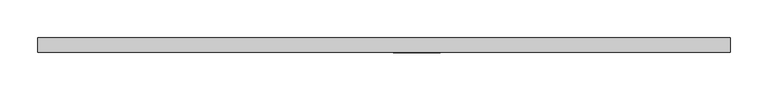
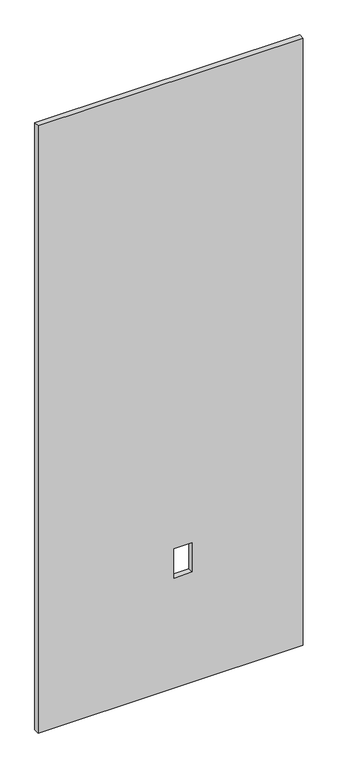
"""IFC4 building model written with IfcOpenShell, lengths in millimetres: proxy geometry."""

from ifc_helpers import new_model, si_unit, frame, origin, place, context, project, spatial, polyline, outline, extrude, source, transform, mapped, element, save


def specialty_equipment_575318c1(model_context):
    return source(origin(), model_context, "Body", "SweptSolid", [
        extrude(outline(polyline([(2206.625, -455.3204), (3.175, -455.3204), (3.175, 455.3204), (2206.625, 455.3204), (2206.625, -455.3204)]), holes=[polyline([(402.3868, 74.295), (402.3868, 12.065), (509.0668, 12.065), (509.0668, 74.295), (402.3868, 74.295)])]), frame((0.0, -9.525, 0.0), z_axis=(0.0, 1.0, 0.0), x_axis=(0.0, 0.0, 1.0)), (0.0, 0.0, 1.0), 19.05),
    ])


if __name__ == "__main__":
    model = new_model("IFC4")
    model_context = context("Model", 3, world=origin())
    ifc_project = project(units=[si_unit("LENGTHUNIT", "METRE", prefix="MILLI")], contexts=[model_context])
    site = spatial("IfcSite", under=ifc_project)
    building = spatial("IfcBuilding", under=site)
    placement = place(None, origin())
    specialty_equipment_shape = specialty_equipment_575318c1(model_context)
    element("IfcBuildingElementProxy", 1, Name="Specialty Equipment", at=placement, inside=building, context=model_context, shape_type="MappedRepresentation", body=[
        mapped(specialty_equipment_shape, transform((0.0, 0.0, 0.0), x_axis=(1.0, 0.0, 0.0), y_axis=(0.0, 1.0, 0.0), z_axis=(0.0, 0.0, 1.0))),
    ])
    save(model, "model.ifc")
